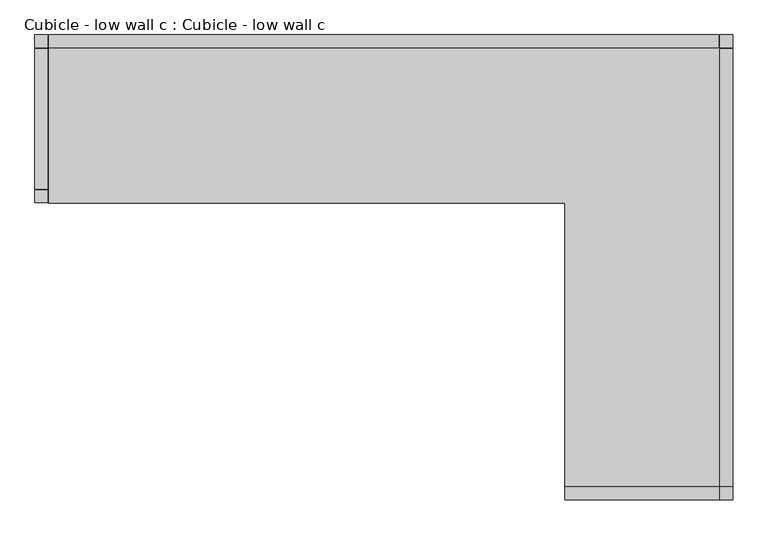
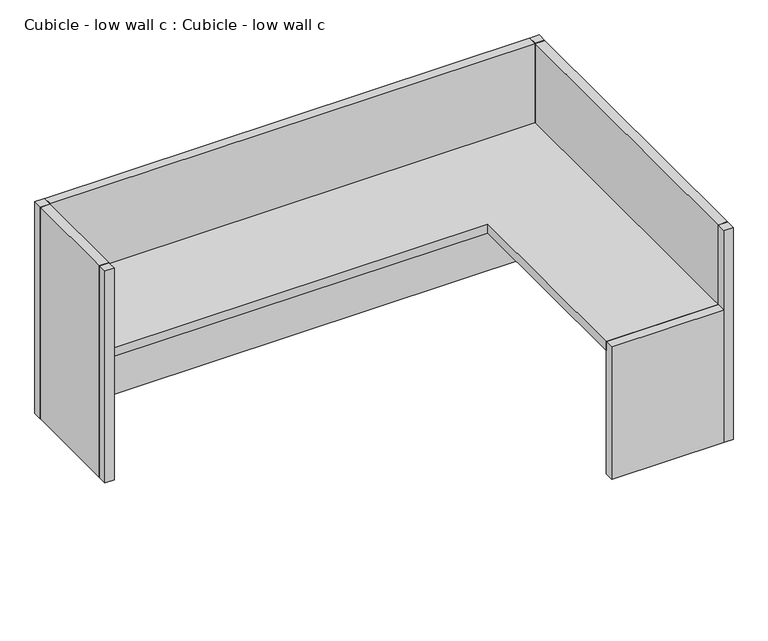
"""IFC4 building model written with IfcOpenShell, lengths in millimetres: furniture geometry, Cubicle - low wall c : Cubicle - low wall c."""

from ifc_helpers import new_model, si_unit, frame, origin, origin_with_axes, place, context, project, spatial, polyline, outline, extrude, source, transform, mapped, element, save


def cubicle_low_wall_c_cubicle_low_wall_c_008939d4(model_context):
    return source(origin(), model_context, "Body", "SweptSolid", [
        extrude(outline(polyline([(-660.4, -1828.8), (-660.4, -1778.0), (-50.8, -1778.0), (-50.8, -1828.8), (-660.4, -1828.8)])), origin_with_axes(), (0.0, 0.0, 1.0), 762.0),
        extrude(outline(polyline([(-2743.2, -660.4), (-2743.2, -609.6), (-2692.4, -609.6), (-2692.4, -660.4), (-2743.2, -660.4)])), origin_with_axes(), (0.0, 0.0, 1.0), 1219.2),
        extrude(outline(polyline([(-2743.2, -50.8), (-2743.2, 0.0), (-2692.4, 0.0), (-2692.4, -50.8), (-2743.2, -50.8)])), origin_with_axes(), (0.0, 0.0, 1.0), 1219.2),
        extrude(outline(polyline([(-50.8, -50.8), (-50.8, 0.0), (0.0, 0.0), (0.0, -50.8), (-50.8, -50.8)])), origin_with_axes(), (0.0, 0.0, 1.0), 1219.2),
        extrude(outline(polyline([(-50.8, -1828.8), (-50.8, -1778.0), (0.0, -1778.0), (0.0, -1828.8), (-50.8, -1828.8)])), origin_with_axes(), (0.0, 0.0, 1.0), 1219.2),
        extrude(outline(polyline([(-2689.225, -660.4), (-2689.225, -50.8), (-50.8, -50.8), (-50.8, -1778.0), (-660.4, -1778.0), (-660.4, -660.4), (-2689.225, -660.4)])), frame((0.0, 0.0, 711.2), z_axis=(0.0, 0.0, 1.0), x_axis=(1.0, 0.0, 0.0)), (0.0, 0.0, 1.0), 50.8),
        extrude(outline(polyline([(-2689.225, 0.0), (-53.975, 0.0), (-53.975, -50.8), (-2689.225, -50.8), (-2689.225, 0.0)])), origin_with_axes(), (0.0, 0.0, 1.0), 1219.2),
        extrude(outline(polyline([(0.0, -53.975), (0.0, -1774.825), (-50.8, -1774.825), (-50.8, -53.975), (0.0, -53.975)])), origin_with_axes(), (0.0, 0.0, 1.0), 1219.2),
        extrude(outline(polyline([(-2743.2, -53.975), (-2692.4, -53.975), (-2692.4, -606.425), (-2743.2, -606.425), (-2743.2, -53.975)])), origin_with_axes(), (0.0, 0.0, 1.0), 1219.2),
    ])


if __name__ == "__main__":
    model = new_model("IFC4")
    model_context = context("Model", 3, world=origin())
    ifc_project = project(units=[si_unit("LENGTHUNIT", "METRE", prefix="MILLI")], contexts=[model_context])
    site = spatial("IfcSite", under=ifc_project)
    building = spatial("IfcBuilding", under=site)
    placement = place(None, origin())
    cubicle_low_wall_c_cubicle_low_wall_c_shape = cubicle_low_wall_c_cubicle_low_wall_c_008939d4(model_context)
    element("IfcFurniture", 1, ObjectType="Cubicle - low wall c : Cubicle - low wall c", at=placement, inside=building, context=model_context, shape_type="MappedRepresentation", body=[
        mapped(cubicle_low_wall_c_cubicle_low_wall_c_shape, transform((0.0, 0.0, 0.0), x_axis=(1.0, 0.0, 0.0), y_axis=(0.0, 1.0, 0.0), z_axis=(0.0, 0.0, 1.0))),
    ])
    save(model, "model.ifc")
